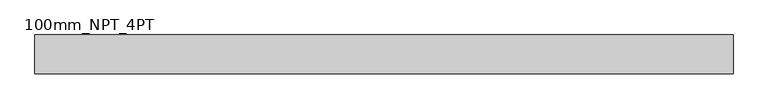
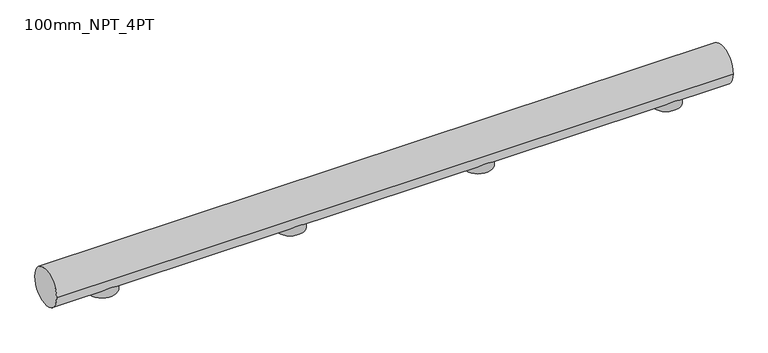
"""IFC4 building model written with IfcOpenShell, lengths in millimetres: proxy geometry, 100mm_NPT_4PT."""

from ifc_helpers import new_model, si_unit, point, frame, frame_2d, origin, place, context, project, spatial, circle_curve, trimmed, segment, composite_curve, outline, extrude, source, transform, mapped, element, save


def proxy_100mm_npt_4pt_37bc3d2d(model_context):
    return source(origin(), model_context, "Body", "SweptSolid", [
        extrude(outline(composite_curve([segment(trimmed(circle_curve(frame_2d((1250.0, 0.0)), 38.0), [point((1212.0, 0.0))], [point((1288.0, 0.0))], False, "CARTESIAN"), True, "CONTINUOUS"), segment(trimmed(circle_curve(frame_2d((1250.0, 0.0)), 38.0), [point((1288.0, 0.0))], [point((1212.0, 0.0))], False, "CARTESIAN"), True, "CONTINUOUS")], self_intersect=False)), frame((0.0, 0.0, -17.10201), z_axis=(0.0, 0.0, 1.0), x_axis=(1.0, 0.0, 0.0)), (0.0, 0.0, 1.0), 67.4327816),
        extrude(outline(composite_curve([segment(trimmed(circle_curve(frame_2d((750.0, 0.0)), 38.0), [point((712.0, 0.0))], [point((788.0, 0.0))], False, "CARTESIAN"), True, "CONTINUOUS"), segment(trimmed(circle_curve(frame_2d((750.0, 0.0)), 38.0), [point((788.0, 0.0))], [point((712.0, 0.0))], False, "CARTESIAN"), True, "CONTINUOUS")], self_intersect=False)), frame((0.0, 0.0, -17.10201), z_axis=(0.0, 0.0, 1.0), x_axis=(1.0, 0.0, 0.0)), (0.0, 0.0, 1.0), 67.4327816),
        extrude(outline(composite_curve([segment(trimmed(circle_curve(frame_2d((250.0, 0.0)), 38.0), [point((212.0, 0.0))], [point((288.0, 0.0))], False, "CARTESIAN"), True, "CONTINUOUS"), segment(trimmed(circle_curve(frame_2d((250.0, 0.0)), 38.0), [point((288.0, 0.0))], [point((212.0, 0.0))], False, "CARTESIAN"), True, "CONTINUOUS")], self_intersect=False)), frame((0.0, 0.0, -17.10201), z_axis=(0.0, 0.0, 1.0), x_axis=(1.0, 0.0, 0.0)), (0.0, 0.0, 1.0), 67.4327816),
        extrude(outline(composite_curve([segment(trimmed(circle_curve(frame_2d((-250.0, 0.0)), 38.0), [point((-288.0, 0.0))], [point((-212.0, 0.0))], False, "CARTESIAN"), True, "CONTINUOUS"), segment(trimmed(circle_curve(frame_2d((-250.0, 0.0)), 38.0), [point((-212.0, 0.0))], [point((-288.0, 0.0))], False, "CARTESIAN"), True, "CONTINUOUS")], self_intersect=False)), frame((0.0, 0.0, -17.10201), z_axis=(0.0, 0.0, 1.0), x_axis=(1.0, 0.0, 0.0)), (0.0, 0.0, 1.0), 67.4327816),
        extrude(outline(composite_curve([segment(trimmed(circle_curve(frame_2d((0.0, 40.0)), 50.0), [point((-50.0, 40.0))], [point((50.0, 40.0))], False, "CARTESIAN"), True, "CONTINUOUS"), segment(trimmed(circle_curve(frame_2d((0.0, 40.0)), 50.0), [point((50.0, 40.0))], [point((-50.0, 40.0))], False, "CARTESIAN"), True, "CONTINUOUS")], self_intersect=False)), frame((-400.0, 0.0, 0.0), z_axis=(1.0, 0.0, 0.0), x_axis=(0.0, 1.0, 0.0)), (0.0, 0.0, 1.0), 1800.0),
    ])


if __name__ == "__main__":
    model = new_model("IFC4")
    model_context = context("Model", 3, world=origin())
    ifc_project = project(units=[si_unit("LENGTHUNIT", "METRE", prefix="MILLI")], contexts=[model_context])
    site = spatial("IfcSite", under=ifc_project)
    building = spatial("IfcBuilding", under=site)
    placement = place(None, origin())
    proxy_100mm_npt_4pt_shape = proxy_100mm_npt_4pt_37bc3d2d(model_context)
    element("IfcBuildingElementProxy", 1, Name="100mm_NPT_4PT", ObjectType="100mm_NPT_4PT", at=placement, inside=building, context=model_context, shape_type="MappedRepresentation", body=[
        mapped(proxy_100mm_npt_4pt_shape, transform((0.0, 0.0, 0.0), x_axis=(1.0, 0.0, 0.0), y_axis=(0.0, 1.0, 0.0), z_axis=(0.0, 0.0, 1.0))),
    ])
    save(model, "model.ifc")
